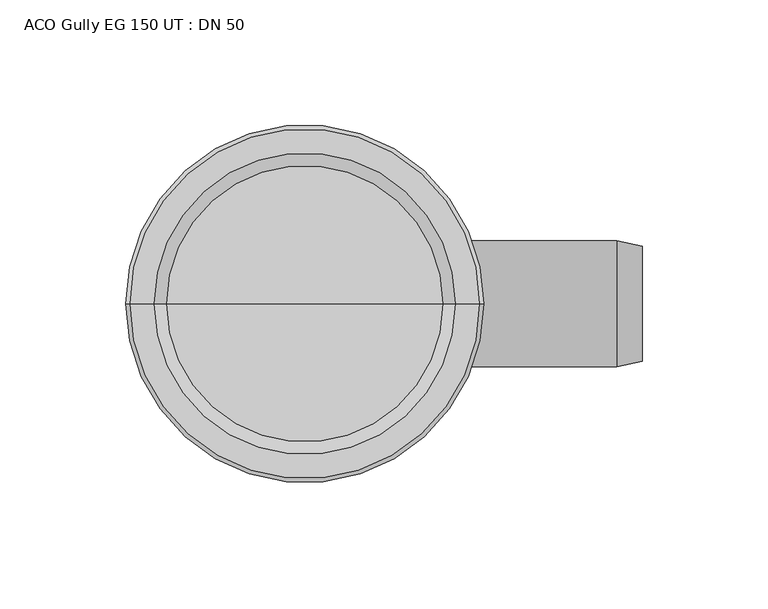
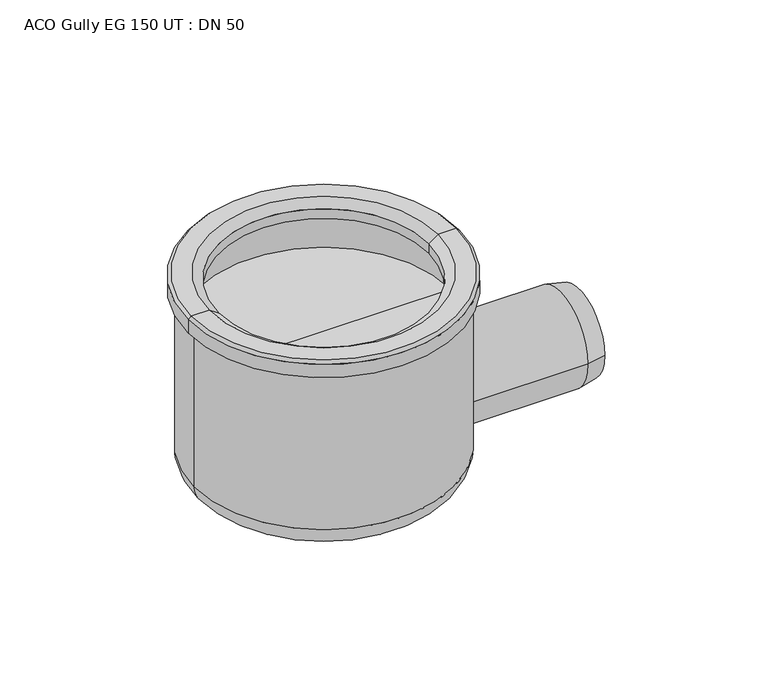
"""IFC4 building model written with IfcOpenShell, lengths in millimetres: flow terminal geometry, ACO Gully EG 150 UT : DN 50."""

from ifc_helpers import new_model, si_unit, point, frame, origin, place, context, project, spatial, polyline, circle_curve, ellipse_curve, trimmed, source, transform, mapped, element, save
from ifc_brep_helpers import plane_surface, cylinder_surface, revolved_surface, advanced_brep


def aco_gully_eg_150_ut_dn_50_c1001723(model_context):
    return source(origin(), model_context, "Body", "AdvancedBrep", [
        advanced_brep(
        [(-68.0, 0.0, -195.3489424), (68.0, 0.0, -195.3489424), (55.8489424, 0.0, -207.5), (-55.8489424, 0.0, -207.5), (-68.0, 0.0, -108.7851751), (68.0, 0.0, -108.7851751), (0.0, 0.0, -207.5), (-66.5, 0.0, -132.7134268), (66.5, 0.0, -132.7134268), (66.5, 0.0, -108.7851751), (-66.5, 0.0, -108.7851751), (0.0, 0.0, -132.7134268), (-71.0767781, 0.0, -108.7851751), (71.0767781, 0.0, -108.7851751), (-71.0767781, 0.0, -101.5), (71.0767781, 0.0, -101.5), (-69.5767781, 0.0, -100.0), (69.5767781, 0.0, -100.0), (-60.0, 0.0, -100.0), (60.0, 0.0, -100.0), (-55.0, 0.0, -103.4364048), (55.0, 0.0, -103.4364048), (-55.0, 0.0, -108.7851751), (55.0, 0.0, -108.7851751)],
        [
            (0, 1, circle_curve(frame((0.0, 0.0, -195.3489424), z_axis=(0.0, 0.0, -1.0), x_axis=(1.0, 0.0, 0.0)), 68.0)),
            (1, 2, circle_curve(frame((55.8489424, 0.0, -195.3489424), z_axis=(0.0, 1.0, 0.0), x_axis=(1.0, 0.0, 0.0)), 12.1510576)),
            (2, 3, circle_curve(frame((0.0, 0.0, -207.5), z_axis=(0.0, 0.0, 1.0), x_axis=(1.0, 0.0, 0.0)), 55.8489424)),
            (3, 0, circle_curve(frame((-55.8489424, 0.0, -195.3489424), z_axis=(0.0, 1.0, 0.0), x_axis=(-1.0, 0.0, 0.0)), 12.1510576)),
            (1, 0, circle_curve(frame((0.0, 0.0, -195.3489424), z_axis=(0.0, 0.0, -1.0), x_axis=(1.0, 0.0, 0.0)), 68.0)),
            (3, 2, circle_curve(frame((0.0, 0.0, -207.5), z_axis=(0.0, 0.0, 1.0), x_axis=(1.0, 0.0, 0.0)), 55.8489424)),
            (4, 5, circle_curve(frame((0.0, 0.0, -108.7851751), z_axis=(0.0, 0.0, -1.0), x_axis=(1.0, 0.0, 0.0)), 68.0)),
            (5, 1),
            (0, 4),
            (5, 4, circle_curve(frame((0.0, 0.0, -108.7851751), z_axis=(0.0, 0.0, -1.0), x_axis=(1.0, 0.0, 0.0)), 68.0)),
            (2, 6),
            (6, 3),
            (7, 8, circle_curve(frame((0.0, 0.0, -132.7134268), z_axis=(0.0, 0.0, -1.0), x_axis=(1.0, 0.0, 0.0)), 66.5)),
            (8, 9),
            (9, 10, circle_curve(frame((0.0, 0.0, -108.7851751), z_axis=(0.0, 0.0, 1.0), x_axis=(1.0, 0.0, 0.0)), 66.5)),
            (10, 7),
            (8, 7, circle_curve(frame((0.0, 0.0, -132.7134268), z_axis=(0.0, 0.0, -1.0), x_axis=(1.0, 0.0, 0.0)), 66.5)),
            (10, 9, circle_curve(frame((0.0, 0.0, -108.7851751), z_axis=(0.0, 0.0, 1.0), x_axis=(1.0, 0.0, 0.0)), 66.5)),
            (11, 8),
            (7, 11),
            (12, 13, circle_curve(frame((0.0, 0.0, -108.7851751), z_axis=(0.0, 0.0, -1.0), x_axis=(1.0, 0.0, 0.0)), 71.0767781)),
            (13, 5),
            (4, 12),
            (13, 12, circle_curve(frame((0.0, 0.0, -108.7851751), z_axis=(0.0, 0.0, -1.0), x_axis=(1.0, 0.0, 0.0)), 71.0767781)),
            (14, 15, circle_curve(frame((0.0, 0.0, -101.5), z_axis=(0.0, 0.0, -1.0), x_axis=(1.0, 0.0, 0.0)), 71.0767781)),
            (15, 13),
            (12, 14),
            (15, 14, circle_curve(frame((0.0, 0.0, -101.5), z_axis=(0.0, 0.0, -1.0), x_axis=(1.0, 0.0, 0.0)), 71.0767781)),
            (16, 17, circle_curve(frame((0.0, 0.0, -100.0), z_axis=(0.0, 0.0, -1.0), x_axis=(1.0, 0.0, 0.0)), 69.5767781)),
            (17, 15),
            (14, 16),
            (17, 16, circle_curve(frame((0.0, 0.0, -100.0), z_axis=(0.0, 0.0, -1.0), x_axis=(1.0, 0.0, 0.0)), 69.5767781)),
            (18, 19, circle_curve(frame((0.0, 0.0, -100.0), z_axis=(0.0, 0.0, -1.0), x_axis=(1.0, 0.0, 0.0)), 60.0)),
            (19, 17),
            (16, 18),
            (19, 18, circle_curve(frame((0.0, 0.0, -100.0), z_axis=(0.0, 0.0, -1.0), x_axis=(1.0, 0.0, 0.0)), 60.0)),
            (20, 21, circle_curve(frame((0.0, 0.0, -103.4364048), z_axis=(0.0, 0.0, -1.0), x_axis=(1.0, 0.0, 0.0)), 55.0)),
            (21, 19),
            (18, 20),
            (21, 20, circle_curve(frame((0.0, 0.0, -103.4364048), z_axis=(0.0, 0.0, -1.0), x_axis=(1.0, 0.0, 0.0)), 55.0)),
            (22, 23, circle_curve(frame((0.0, 0.0, -108.7851751), z_axis=(0.0, 0.0, -1.0), x_axis=(1.0, 0.0, 0.0)), 55.0)),
            (23, 21),
            (20, 22),
            (23, 22, circle_curve(frame((0.0, 0.0, -108.7851751), z_axis=(0.0, 0.0, -1.0), x_axis=(1.0, 0.0, 0.0)), 55.0)),
            (9, 23),
            (22, 10),
        ],
        [
            revolved_surface(trimmed(ellipse_curve(frame((55.8489424, 0.0, -195.3489424), z_axis=(0.0, -1.0, 0.0), x_axis=(1.0, 0.0, 0.0)), 12.1510576, 12.1510576), [point((55.8489424, 0.0, -207.5))], [point((68.0, 0.0, -195.3489424))], True, "CARTESIAN"), (0.0, 0.0, -101.7134268), (0.0, 0.0, 1.0)),
            cylinder_surface(frame((0.0, 0.0, -101.7134268), z_axis=(0.0, 0.0, 1.0), x_axis=(1.0, 0.0, 0.0)), 68.0),
            plane_surface(frame((0.0, 0.0, -207.5), z_axis=(0.0, 0.0, -1.0), x_axis=(1.0, 0.0, 0.0))),
            revolved_surface(polyline([(66.5, 0.0, -108.7851751), (66.5, 0.0, -132.7134268)]), (0.0, 0.0, -101.7134268), (0.0, 0.0, 1.0)),
            plane_surface(frame((0.0, 0.0, -132.7134268), z_axis=(0.0, 0.0, 1.0), x_axis=(1.0, 0.0, 0.0))),
            plane_surface(frame((0.0, 0.0, -108.7851751), z_axis=(0.0, 0.0, -1.0), x_axis=(1.0, 0.0, 0.0))),
            cylinder_surface(frame((0.0, 0.0, -101.7134268), z_axis=(0.0, 0.0, 1.0), x_axis=(1.0, 0.0, 0.0)), 71.0767781),
            revolved_surface(polyline([(71.0767781, 0.0, -101.5), (69.5767781, 0.0, -100.0)]), (0.0, 0.0, -101.7134268), (0.0, 0.0, 1.0)),
            plane_surface(frame((0.0, 0.0, -100.0), z_axis=(0.0, 0.0, 1.0), x_axis=(1.0, 0.0, 0.0))),
            revolved_surface(polyline([(60.0, 0.0, -100.0), (55.0, 0.0, -103.4364048)]), (0.0, 0.0, -101.7134268), (0.0, 0.0, 1.0)),
            revolved_surface(polyline([(55.0, 0.0, -103.4364048), (55.0, 0.0, -108.7851751)]), (0.0, 0.0, -101.7134268), (0.0, 0.0, 1.0)),
        ],
        [
            (0, [[1, 2, 3, 4]]),
            (0, [[5, -4, 6, -2]]),
            (1, [[7, 8, -1, 9]]),
            (1, [[10, -9, -5, -8]]),
            (2, [[-3, 11, 12]]),
            (2, [[-6, -12, -11]]),
            (3, [[13, 14, 15, 16]]),
            (3, [[17, -16, 18, -14]]),
            (4, [[19, -13, 20]]),
            (4, [[-20, -17, -19]]),
            (5, [[21, 22, -7, 23]]),
            (5, [[24, -23, -10, -22]]),
            (6, [[25, 26, -21, 27]]),
            (6, [[28, -27, -24, -26]]),
            (7, [[29, 30, -25, 31]]),
            (7, [[32, -31, -28, -30]]),
            (8, [[33, 34, -29, 35]]),
            (8, [[36, -35, -32, -34]]),
            (9, [[37, 38, -33, 39]]),
            (9, [[40, -39, -36, -38]]),
            (10, [[41, 42, -37, 43]]),
            (10, [[44, -43, -40, -42]]),
            (5, [[-15, 45, -41, 46]]),
            (5, [[-18, -46, -44, -45]]),
        ],
    ),
        advanced_brep(
        [(134.0374565, -22.8503347, -179.3), (134.0374565, 22.8503347, -179.3), (134.0374565, 21.7901902, -179.3), (134.0374565, -21.7901902, -179.3), (60.0374565, -25.0, -179.3), (60.0374565, 25.0, -179.3), (123.9814513, 25.0, -179.3), (123.9814513, -25.0, -179.3), (0.0374565, 0.0, -179.3), (0.0374565, 20.0, -179.3), (0.0374565, -20.0, -179.3), (54.4058983, -19.0, -179.3), (54.4058983, 19.0, -179.3), (75.0374565, -21.7901902, -179.3), (75.0374565, 21.7901902, -179.3), (75.0374565, 0.0, -179.3)],
        [
            (0, 1, circle_curve(frame((134.0374565, 0.0, -179.3), z_axis=(1.0, 0.0, 0.0), x_axis=(0.0, 1.0, 0.0)), 22.8503347)),
            (1, 2),
            (2, 3, circle_curve(frame((134.0374565, 0.0, -179.3), z_axis=(-1.0, 0.0, 0.0), x_axis=(0.0, 1.0, 0.0)), 21.7901902)),
            (3, 0),
            (1, 0, circle_curve(frame((134.0374565, 0.0, -179.3), z_axis=(1.0, 0.0, 0.0), x_axis=(0.0, 1.0, 0.0)), 22.8503347)),
            (3, 2, circle_curve(frame((134.0374565, 0.0, -179.3), z_axis=(-1.0, 0.0, 0.0), x_axis=(0.0, 1.0, 0.0)), 21.7901902)),
            (4, 5, circle_curve(frame((60.0374565, 0.0, -179.3), z_axis=(1.0, 0.0, 0.0), x_axis=(0.0, 1.0, 0.0)), 25.0)),
            (5, 6),
            (6, 7, circle_curve(frame((123.9814513, 0.0, -179.3), z_axis=(-1.0, 0.0, 0.0), x_axis=(0.0, 1.0, 0.0)), 25.0)),
            (7, 4),
            (5, 4, circle_curve(frame((60.0374565, 0.0, -179.3), z_axis=(1.0, 0.0, 0.0), x_axis=(0.0, 1.0, 0.0)), 25.0)),
            (7, 6, circle_curve(frame((123.9814513, 0.0, -179.3), z_axis=(-1.0, 0.0, 0.0), x_axis=(0.0, 1.0, 0.0)), 25.0)),
            (8, 9),
            (9, 10, circle_curve(frame((0.0374565, 0.0, -179.3), z_axis=(-1.0, 0.0, 0.0), x_axis=(0.0, 1.0, 0.0)), 20.0)),
            (10, 8),
            (10, 9, circle_curve(frame((0.0374565, 0.0, -179.3), z_axis=(-1.0, 0.0, 0.0), x_axis=(0.0, 1.0, 0.0)), 20.0)),
            (11, 12, circle_curve(frame((54.4058983, 0.0, -179.3), z_axis=(1.0, 0.0, 0.0), x_axis=(0.0, 1.0, 0.0)), 19.0)),
            (12, 5),
            (4, 11),
            (12, 11, circle_curve(frame((54.4058983, 0.0, -179.3), z_axis=(1.0, 0.0, 0.0), x_axis=(0.0, 1.0, 0.0)), 19.0)),
            (6, 1),
            (0, 7),
            (13, 14, circle_curve(frame((75.0374565, 0.0, -179.3), z_axis=(1.0, 0.0, 0.0), x_axis=(0.0, 1.0, 0.0)), 21.7901902)),
            (14, 15),
            (15, 13),
            (14, 13, circle_curve(frame((75.0374565, 0.0, -179.3), z_axis=(1.0, 0.0, 0.0), x_axis=(0.0, 1.0, 0.0)), 21.7901902)),
            (2, 14),
            (13, 3),
            (9, 12),
            (11, 10),
        ],
        [
            plane_surface(frame((134.0374565, 0.0, -179.3), z_axis=(1.0, 0.0, 0.0), x_axis=(0.0, 1.0, 0.0))),
            cylinder_surface(frame((0.0, 0.0, -179.3), z_axis=(-1.0, 0.0, 0.0), x_axis=(0.0, 1.0, 0.0)), 25.0),
            plane_surface(frame((0.0374565, 0.0, -179.3), z_axis=(-1.0, 0.0, 0.0), x_axis=(0.0, 1.0, 0.0))),
            revolved_surface(polyline([(60.0374565, 25.0, -179.3), (54.4058983, 19.0, -179.3)]), (0.0, 0.0, -179.3), (-1.0, 0.0, 0.0)),
            revolved_surface(polyline([(134.0374565, 22.8503347, -179.3), (123.9814513, 25.0, -179.3)]), (0.0, 0.0, -179.3), (-1.0, 0.0, 0.0)),
            plane_surface(frame((75.0374565, 0.0, -179.3), z_axis=(1.0, 0.0, 0.0), x_axis=(0.0, 1.0, 0.0))),
            revolved_surface(polyline([(75.0374565, 21.7901902, -179.3), (134.0374565, 21.7901902, -179.3)]), (0.0, 0.0, -179.3), (-1.0, 0.0, 0.0)),
            revolved_surface(polyline([(54.4058983, 19.0, -179.3), (0.0374565, 20.0, -179.3)]), (0.0, 0.0, -179.3), (-1.0, 0.0, 0.0)),
        ],
        [
            (0, [[1, 2, 3, 4]]),
            (0, [[5, -4, 6, -2]]),
            (1, [[7, 8, 9, 10]]),
            (1, [[11, -10, 12, -8]]),
            (2, [[13, 14, 15]]),
            (2, [[-15, 16, -13]]),
            (3, [[17, 18, -7, 19]]),
            (3, [[20, -19, -11, -18]]),
            (4, [[-9, 21, -1, 22]]),
            (4, [[-12, -22, -5, -21]]),
            (5, [[23, 24, 25]]),
            (5, [[26, -25, -24]]),
            (6, [[-3, 27, -23, 28]]),
            (6, [[-6, -28, -26, -27]]),
            (7, [[-14, 29, -17, 30]]),
            (7, [[-16, -30, -20, -29]]),
        ],
    ),
    ])


if __name__ == "__main__":
    model = new_model("IFC4")
    model_context = context("Model", 3, world=origin())
    ifc_project = project(units=[si_unit("LENGTHUNIT", "METRE", prefix="MILLI")], contexts=[model_context])
    site = spatial("IfcSite", under=ifc_project)
    building = spatial("IfcBuilding", under=site)
    placement = place(None, origin())
    aco_gully_eg_150_ut_dn_50_shape = aco_gully_eg_150_ut_dn_50_c1001723(model_context)
    element("IfcFlowTerminal", 1, ObjectType="ACO Gully EG 150 UT : DN 50", at=placement, inside=building, context=model_context, shape_type="MappedRepresentation", body=[
        mapped(aco_gully_eg_150_ut_dn_50_shape, transform((0.0, 0.0, 0.0), x_axis=(1.0, 0.0, 0.0), y_axis=(0.0, 1.0, 0.0), z_axis=(0.0, 0.0, 1.0))),
    ])
    save(model, "model.ifc")
